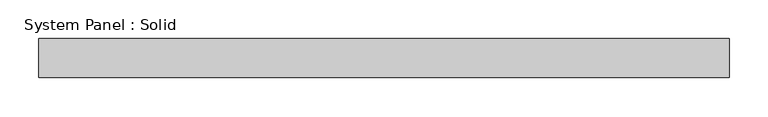
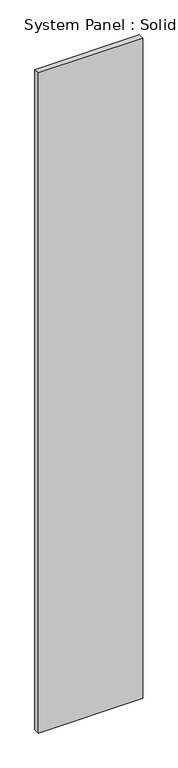
"""IFC4 building model written with IfcOpenShell, lengths in millimetres: plate geometry, System Panel : Solid."""

from ifc_helpers import new_model, si_unit, origin, origin_with_axes, place, context, project, spatial, polyline, outline, extrude, source, transform, mapped, element, save


def system_panel_solid_c391fcb2(model_context):
    return source(origin(), model_context, "Body", "SweptSolid", [
        extrude(outline(polyline([(444.9602628, -25.0), (-444.9602628, -25.0), (-444.9602628, 25.0), (444.9602628, 25.0), (444.9602628, -25.0)])), origin_with_axes(), (0.0, 0.0, 1.0), 5940.0),
    ])


if __name__ == "__main__":
    model = new_model("IFC4")
    model_context = context("Model", 3, world=origin())
    ifc_project = project(units=[si_unit("LENGTHUNIT", "METRE", prefix="MILLI")], contexts=[model_context])
    site = spatial("IfcSite", under=ifc_project)
    building = spatial("IfcBuilding", under=site)
    placement = place(None, origin())
    system_panel_solid_shape = system_panel_solid_c391fcb2(model_context)
    element("IfcPlate", 1, ObjectType="System Panel : Solid", at=placement, inside=building, context=model_context, shape_type="MappedRepresentation", body=[
        mapped(system_panel_solid_shape, transform((0.0, 0.0, 0.0), x_axis=(1.0, 0.0, 0.0), y_axis=(0.0, 1.0, 0.0), z_axis=(0.0, 0.0, 1.0))),
    ])
    save(model, "model.ifc")
